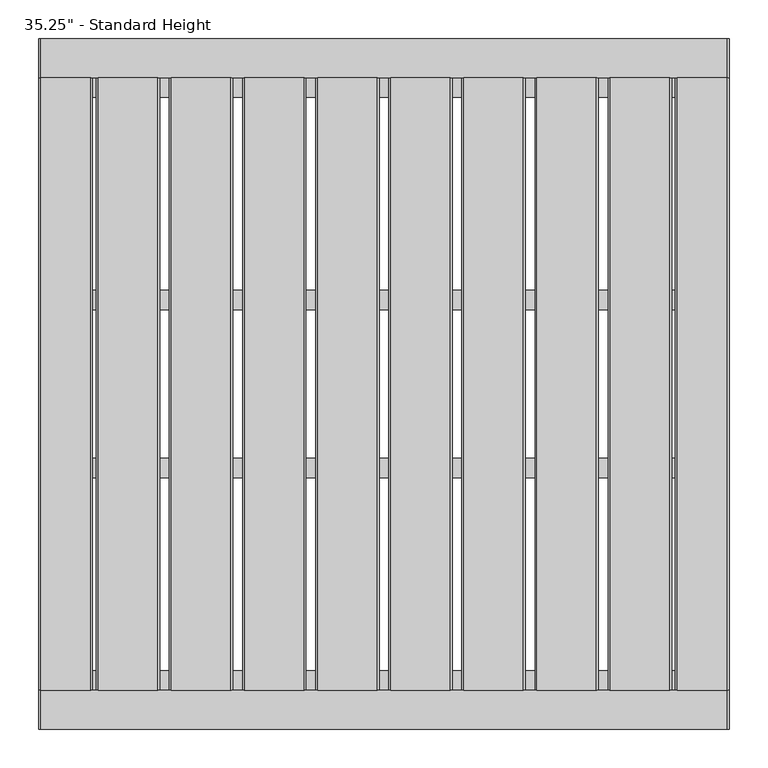
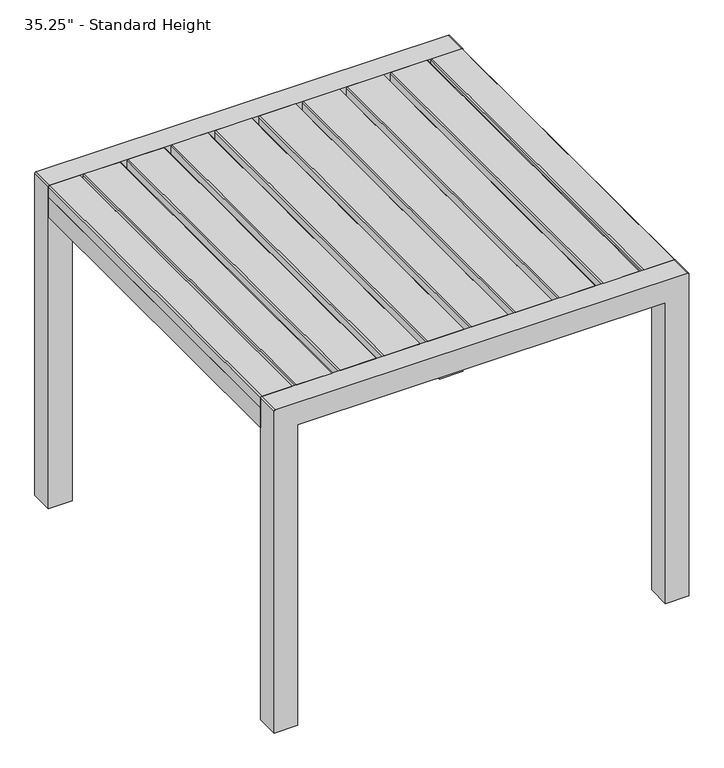
"""IFC4 building model written with IfcOpenShell, lengths in millimetres: furniture geometry."""

import ifcopenshell
import ifcopenshell.guid

model = None  # the IFC model being written
_history = None  # IfcOwnerHistory: only IFC2X3 demands one
_inside = {}  # id of a spatial element -> (the spatial element, [elements in it])
_under = {}  # id of a project, library or spatial element -> (it, [spatial elements below it])
_declared = {}  # id of a project -> (the project, [libraries it declares])
_typed = {}  # id of a type object -> (the type object, [elements of that type])
_made_of = {}  # id of a material, layer set ... -> (it, [elements and type objects made of it])


def new_model(schema):
    """Start an empty IFC model of exactly this schema.

    Asked for "IFC4X3", IfcOpenShell would pick the latest addendum, in which some entities
    have other attributes; the version numbers below select the first issue.
    IFC2X3 requires an IfcOwnerHistory on every rooted entity: one is made here for all.
    """
    global model, _history
    if schema == "IFC4X3":
        model = ifcopenshell.file(schema_version=(4, 3, 0, 0))
    else:
        model = ifcopenshell.file(schema=schema)
    _inside.clear()
    _under.clear()
    _declared.clear()
    _typed.clear()
    _made_of.clear()
    _history = None
    if model.schema == "IFC2X3":
        org = make("IfcOrganization", Name="unknown")
        user = make(
            "IfcPersonAndOrganization",
            ThePerson=make("IfcPerson", FamilyName="unknown"),
            TheOrganization=org,
        )
        app = make(
            "IfcApplication",
            ApplicationDeveloper=org,
            Version="unknown",
            ApplicationFullName="unknown",
            ApplicationIdentifier="unknown",
        )
        _history = make(
            "IfcOwnerHistory",
            OwningUser=user,
            OwningApplication=app,
            ChangeAction="ADDED",
            CreationDate=0,
        )
    return model


def make(cls, **values):
    """One entity of the class cls with the attributes given. An attribute that is None is left unset."""
    return model.create_entity(
        cls, **{name: value for name, value in values.items() if value is not None}
    )


def rooted(cls, **values):
    """An entity with a GlobalId (a new one), such as an element, a storey or a relation."""
    return make(cls, GlobalId=ifcopenshell.guid.new(), OwnerHistory=_history, **values)


def si_unit(unit_type, name, prefix=None):
    """IfcSIUnit, for example si_unit("LENGTHUNIT", "METRE", prefix="MILLI")."""
    return make("IfcSIUnit", UnitType=unit_type, Prefix=prefix, Name=name)


def assignment(units):
    """IfcUnitAssignment: the units of a project."""
    return None if units is None else make("IfcUnitAssignment", Units=units)


def point(xyz):
    """IfcCartesianPoint."""
    return None if xyz is None else make("IfcCartesianPoint", Coordinates=xyz)


def direction(xyz):
    """IfcDirection."""
    return None if xyz is None else make("IfcDirection", DirectionRatios=xyz)


def frame(location, z_axis=None, x_axis=None):
    """IfcAxis2Placement3D, a coordinate frame: its origin and axes. An axis left out is left unset."""
    return make(
        "IfcAxis2Placement3D",
        Location=point(location),
        Axis=direction(z_axis),
        RefDirection=direction(x_axis),
    )


def frame_2d(location, x_axis=None):
    """IfcAxis2Placement2D, a coordinate frame in the plane: its origin and x axis."""
    return make(
        "IfcAxis2Placement2D", Location=point(location), RefDirection=direction(x_axis)
    )


def origin():
    """The frame at (0, 0, 0) with its axes left unset."""
    return frame((0.0, 0.0, 0.0))


def place(relative_to, where):
    """IfcLocalPlacement: puts the frame where relative to a parent placement (None: the world)."""
    return make(
        "IfcLocalPlacement", PlacementRelTo=relative_to, RelativePlacement=where
    )


def context(
    kind, dimensions, precision=None, world=None, true_north=None, identifier=None
):
    """IfcGeometricRepresentationContext, for example the 3D "Model" context."""
    return make(
        "IfcGeometricRepresentationContext",
        ContextIdentifier=identifier,
        ContextType=kind,
        CoordinateSpaceDimension=dimensions,
        Precision=precision,
        WorldCoordinateSystem=world,
        TrueNorth=true_north,
    )


def project(units=None, contexts=None):
    """IfcProject with its units and contexts."""
    return rooted(
        "IfcProject",
        Name="project",
        RepresentationContexts=contexts,
        UnitsInContext=assignment(units),
    )


def spatial(cls, under=None, at=None, **own):
    """A site, building, storey or space (cls), placed at a placement, below another one or the project."""
    s = rooted(cls, ObjectPlacement=at, **own)
    if under is not None:
        _under.setdefault(under.id(), (under, []))[1].append(s)
    return s


def polyline(points):
    """IfcPolyline through the points."""
    return make("IfcPolyline", Points=[point(p) for p in points])


def circle_curve(where, radius):
    """IfcCircle in the frame where."""
    return make("IfcCircle", Position=where, Radius=radius)


def trimmed(basis, trim1, trim2, sense, master):
    """IfcTrimmedCurve: the piece of a basis curve between two trims."""
    return make(
        "IfcTrimmedCurve",
        BasisCurve=basis,
        Trim1=trim1,
        Trim2=trim2,
        SenseAgreement=sense,
        MasterRepresentation=master,
    )


def segment(curve, same_sense, transition):
    """IfcCompositeCurveSegment."""
    return make(
        "IfcCompositeCurveSegment",
        Transition=transition,
        SameSense=same_sense,
        ParentCurve=curve,
    )


def composite_curve(segments, self_intersect=None):
    """IfcCompositeCurve: segments joined end to end."""
    return make("IfcCompositeCurve", Segments=segments, SelfIntersect=self_intersect)


def outline(outer, holes=None, kind="AREA"):
    """IfcArbitraryClosedProfileDef: a profile drawn as a closed curve; with holes, ...WithVoids."""
    if holes is None:
        return make("IfcArbitraryClosedProfileDef", ProfileType=kind, OuterCurve=outer)
    return make(
        "IfcArbitraryProfileDefWithVoids",
        ProfileType=kind,
        OuterCurve=outer,
        InnerCurves=holes,
    )


def extrude(swept, where, along, depth):
    """IfcExtrudedAreaSolid: the profile swept, set in the frame where, extruded along a direction by depth."""
    return make(
        "IfcExtrudedAreaSolid",
        SweptArea=swept,
        Position=where,
        ExtrudedDirection=direction(along),
        Depth=depth,
    )


def shape(context_of_items, identifier, shape_type, items):
    """IfcShapeRepresentation: the items that make up one representation, for example the "Body"."""
    return make(
        "IfcShapeRepresentation",
        ContextOfItems=context_of_items,
        RepresentationIdentifier=identifier,
        RepresentationType=shape_type,
        Items=items,
    )


def source(mapping_origin, context_of_items, identifier, shape_type, items):
    """IfcRepresentationMap: a shape defined once, which mapped items show again and again."""
    return make(
        "IfcRepresentationMap",
        MappingOrigin=mapping_origin,
        MappedRepresentation=shape(context_of_items, identifier, shape_type, items),
    )


def transform(
    local_origin,
    x_axis=None,
    y_axis=None,
    z_axis=None,
    scale=None,
    scale2=None,
    scale3=None,
    uniform=True,
):
    """IfcCartesianTransformationOperator3D, or its non-uniform kind. x_axis, y_axis, z_axis: its Axis1, 2, 3."""
    if uniform:
        return make(
            "IfcCartesianTransformationOperator3D",
            Axis1=direction(x_axis),
            Axis2=direction(y_axis),
            LocalOrigin=point(local_origin),
            Scale=scale,
            Axis3=direction(z_axis),
        )
    return make(
        "IfcCartesianTransformationOperator3DnonUniform",
        Axis1=direction(x_axis),
        Axis2=direction(y_axis),
        LocalOrigin=point(local_origin),
        Scale=scale,
        Axis3=direction(z_axis),
        Scale2=scale2,
        Scale3=scale3,
    )


def mapped(mapping_source, mapping_target):
    """IfcMappedItem: shows the shape of a source again, moved by a transform."""
    return make(
        "IfcMappedItem", MappingSource=mapping_source, MappingTarget=mapping_target
    )


def made_of(thing, what):
    """Note that an element or type object is made of a material, layer set ...; save() writes the relation."""
    if what is not None:
        _made_of.setdefault(what.id(), (what, []))[1].append(thing)
    return thing


def element(
    cls,
    number,
    at=None,
    inside=None,
    cuts=None,
    type_object=None,
    material=None,
    context=None,
    identifier="Body",
    shape_type=None,
    held_by="IfcProductDefinitionShape",
    body=None,
    shapes=None,
    **own,
):
    """One element of the class cls, such as IfcWall. Its Tag is "e" and its number.

    at: its placement. inside: the storey or other place that contains it. cuts: it is an
    opening in that element (IfcRelVoidsElement). A single representation is given by context,
    identifier, shape_type and body (its items); several are given by shapes. held_by: the class
    of the entity that holds the representations. save() writes the other relations.
    """
    e = rooted(cls, Tag="e%d" % number, ObjectPlacement=at, **own)
    if body is not None:
        shapes = [shape(context, identifier, shape_type, body)]
    if shapes is not None:
        e.Representation = make(held_by, Representations=shapes)
    if inside is not None:
        _inside.setdefault(inside.id(), (inside, []))[1].append(e)
    if cuts is not None:
        rooted(
            "IfcRelVoidsElement", RelatingBuildingElement=cuts, RelatedOpeningElement=e
        )
    if type_object is not None:
        _typed.setdefault(type_object.id(), (type_object, []))[1].append(e)
    return made_of(e, material)


def aggregate(whole, parts):
    """IfcRelAggregates: a whole, such as a stair, and the parts it consists of."""
    return rooted("IfcRelAggregates", RelatingObject=whole, RelatedObjects=parts)


def save(model, path):
    """Write the relations noted so far, then the file.

    IfcRelAggregates (storeys below a building ...), IfcRelContainedInSpatialStructure (elements
    in a storey), IfcRelDefinesByType, IfcRelAssociatesMaterial and IfcRelDeclares: one each for
    every whole, place, type object, material and project.
    """
    for whole, parts in _under.values():
        aggregate(whole, parts)
    for where, things in _inside.values():
        rooted(
            "IfcRelContainedInSpatialStructure",
            RelatedElements=things,
            RelatingStructure=where,
        )
    for kind, things in _typed.values():
        rooted("IfcRelDefinesByType", RelatedObjects=things, RelatingType=kind)
    for what, things in _made_of.values():
        rooted("IfcRelAssociatesMaterial", RelatedObjects=things, RelatingMaterial=what)
    for by, libraries in _declared.values():
        rooted("IfcRelDeclares", RelatingContext=by, RelatedDefinitions=libraries)
    model.write(path)


def furniture_24cc72c9(model_context):
    return source(origin(), model_context, "Body", "SweptSolid", [
        extrude(outline(polyline([(711.2, 277.9967634), (734.0767182, 277.9967634), (736.6, 275.4735132), (736.6, 198.3668886), (734.0767182, 195.8436384), (711.2, 195.8436384), (711.2, 277.9967634)])), frame((0.0, -400.9049408, 0.0), z_axis=(0.0, 1.0, 0.0), x_axis=(0.0, 0.0, 1.0)), (0.0, 0.0, 1.0), 793.75),
        extrude(outline(polyline([(711.2, 183.228683), (734.0767182, 183.228683), (736.6, 180.7054329), (736.6, 103.5988082), (734.0767182, 101.075558), (711.2, 101.075558), (711.2, 183.228683)])), frame((0.0, -400.9049408, 0.0), z_axis=(0.0, 1.0, 0.0), x_axis=(0.0, 0.0, 1.0)), (0.0, 0.0, 1.0), 793.75),
        extrude(outline(polyline([(711.2, 88.4606027), (734.0767182, 88.4606027), (736.6, 85.9373525), (736.6, 8.8307278), (734.0767182, 6.3074777), (711.2, 6.3074777), (711.2, 88.4606027)])), frame((0.0, -400.9049408, 0.0), z_axis=(0.0, 1.0, 0.0), x_axis=(0.0, 0.0, 1.0)), (0.0, 0.0, 1.0), 793.75),
        extrude(outline(polyline([(711.2, -6.3074777), (734.0767182, -6.3074777), (736.6, -8.8307278), (736.6, -85.9373525), (734.0767182, -88.4606027), (711.2, -88.4606027), (711.2, -6.3074777)])), frame((0.0, -400.9049408, 0.0), z_axis=(0.0, 1.0, 0.0), x_axis=(0.0, 0.0, 1.0)), (0.0, 0.0, 1.0), 793.75),
        extrude(outline(polyline([(711.2, -101.075558), (734.0767182, -101.075558), (736.6, -103.5988082), (736.6, -180.7054329), (734.0767182, -183.228683), (711.2, -183.228683), (711.2, -101.075558)])), frame((0.0, -400.9049408, 0.0), z_axis=(0.0, 1.0, 0.0), x_axis=(0.0, 0.0, 1.0)), (0.0, 0.0, 1.0), 793.75),
        extrude(outline(polyline([(711.2, -195.8436384), (734.0767182, -195.8436384), (736.6, -198.3668886), (736.6, -275.4735132), (734.0767182, -277.9967634), (711.2, -277.9967634), (711.2, -195.8436384)])), frame((0.0, -400.9049408, 0.0), z_axis=(0.0, 1.0, 0.0), x_axis=(0.0, 0.0, 1.0)), (0.0, 0.0, 1.0), 793.75),
        extrude(outline(polyline([(711.2, 372.7648438), (734.0767182, 372.7648438), (736.6, 370.2415936), (736.6, 293.1349689), (734.0767182, 290.6117188), (711.2, 290.6117188), (711.2, 372.7648438)])), frame((0.0, -400.9049408, 0.0), z_axis=(0.0, 1.0, 0.0), x_axis=(0.0, 0.0, 1.0)), (0.0, 0.0, 1.0), 793.75),
        extrude(outline(polyline([(711.2, -290.6117188), (734.0767182, -290.6117188), (736.6, -293.1349689), (736.6, -370.2415936), (734.0767182, -372.7648437), (711.2, -372.7648437), (711.2, -290.6117188)])), frame((0.0, -400.9049408, 0.0), z_axis=(0.0, 1.0, 0.0), x_axis=(0.0, 0.0, 1.0)), (0.0, 0.0, 1.0), 793.75),
        extrude(outline(polyline([(711.2, -447.675), (711.2, -377.8249879), (734.0596996, -377.8249879), (736.6, -380.3652519), (736.6, -445.1347481), (734.0597117, -447.675), (711.2, -447.675)])), frame((0.0, -400.9049408, 0.0), z_axis=(0.0, 1.0, 0.0), x_axis=(0.0, 0.0, 1.0)), (0.0, 0.0, 1.0), 793.75),
        extrude(outline(polyline([(711.2, 447.675), (734.0597117, 447.675), (736.6, 445.1347481), (736.6, 380.3652519), (734.0596996, 377.8249879), (711.2, 377.8249879), (711.2, 447.675)])), frame((0.0, -400.9049408, 0.0), z_axis=(0.0, 1.0, 0.0), x_axis=(0.0, 0.0, 1.0)), (0.0, 0.0, 1.0), 793.75),
        extrude(outline(polyline([(396.8749879, -100.3382701), (396.8749879, -125.7382731), (-396.8749879, -125.7382731), (-396.8749879, -100.3382701), (396.8749879, -100.3382701)])), frame((0.0, 0.0, 685.8), z_axis=(0.0, 0.0, 1.0), x_axis=(1.0, 0.0, 0.0)), (0.0, 0.0, 1.0), 25.4),
        extrude(outline(polyline([(396.8749879, -375.5049347), (396.8749879, -400.9049408), (-396.8749879, -400.9049408), (-396.8749879, -375.5049347), (396.8749879, -375.5049347)])), frame((0.0, 0.0, 685.8), z_axis=(0.0, 0.0, 1.0), x_axis=(1.0, 0.0, 0.0)), (0.0, 0.0, 1.0), 25.4),
        extrude(outline(polyline([(396.8749879, 392.8450592), (396.8749879, 367.4450532), (-396.8749879, 367.4450532), (-396.8749879, 392.8450592), (396.8749879, 392.8450592)])), frame((0.0, 0.0, 685.8), z_axis=(0.0, 0.0, 1.0), x_axis=(1.0, 0.0, 0.0)), (0.0, 0.0, 1.0), 25.4),
        extrude(outline(polyline([(396.8749879, 117.6783915), (396.8749879, 92.2783885), (-396.8749879, 92.2783885), (-396.8749879, 117.6783915), (396.8749879, 117.6783915)])), frame((0.0, 0.0, 685.8), z_axis=(0.0, 0.0, 1.0), x_axis=(1.0, 0.0, 0.0)), (0.0, 0.0, 1.0), 25.4),
        extrude(outline(polyline([(-396.8749879, -400.9049408), (-447.675, -400.9049408), (-447.675, 392.8450592), (-396.8749879, 392.8450592), (-396.8749879, -400.9049408)])), frame((0.0, 0.0, 665.734001), z_axis=(0.0, 0.0, 1.0), x_axis=(1.0, 0.0, 0.0)), (0.0, 0.0, 1.0), 45.465999),
        extrude(outline(polyline([(447.675, -400.9049408), (396.8749879, -400.9049408), (396.8749879, 392.8450592), (447.675, 392.8450592), (447.675, -400.9049408)])), frame((0.0, 0.0, 665.734001), z_axis=(0.0, 0.0, 1.0), x_axis=(1.0, 0.0, 0.0)), (0.0, 0.0, 1.0), 45.465999),
        extrude(outline(composite_curve([segment(polyline([(0.0, -396.8749879), (685.8, -396.8749879), (685.8, 396.8749879), (0.0, 396.8749879), (0.0, 447.675), (734.0203125, 447.675)]), True, "CONTINUOUS"), segment(trimmed(circle_curve(frame_2d((734.0203125, 445.0953125)), 2.5796875), [point((734.0203125, 447.675))], [point((736.6, 445.0953125))], False, "CARTESIAN"), True, "CONTINUOUS"), segment(polyline([(736.6, 445.0953125), (736.6, -445.0953125)]), True, "CONTINUOUS"), segment(trimmed(circle_curve(frame_2d((734.0203125, -445.0953125)), 2.5796875), [point((736.6, -445.0953125))], [point((734.0203125, -447.675))], False, "CARTESIAN"), True, "CONTINUOUS"), segment(polyline([(734.0203125, -447.675), (0.0, -447.675), (0.0, -396.8749879)]), True, "CONTINUOUS")], self_intersect=False)), frame((0.0, 392.8450592, 0.0), z_axis=(0.0, 1.0, 0.0), x_axis=(0.0, 0.0, 1.0)), (0.0, 0.0, 1.0), 50.8),
        extrude(outline(composite_curve([segment(polyline([(0.0, -396.8749879), (685.8, -396.8749879), (685.8, 396.8749879), (0.0, 396.8749879), (0.0, 447.675), (734.0203125, 447.675)]), True, "CONTINUOUS"), segment(trimmed(circle_curve(frame_2d((734.0203125, 445.0953125)), 2.5796875), [point((734.0203125, 447.675))], [point((736.6, 445.0953125))], False, "CARTESIAN"), True, "CONTINUOUS"), segment(polyline([(736.6, 445.0953125), (736.6, -445.0953125)]), True, "CONTINUOUS"), segment(trimmed(circle_curve(frame_2d((734.0203125, -445.0953125)), 2.5796875), [point((736.6, -445.0953125))], [point((734.0203125, -447.675))], False, "CARTESIAN"), True, "CONTINUOUS"), segment(polyline([(734.0203125, -447.675), (0.0, -447.675), (0.0, -396.8749879)]), True, "CONTINUOUS")], self_intersect=False)), frame((0.0, -451.7049408, 0.0), z_axis=(0.0, 1.0, 0.0), x_axis=(0.0, 0.0, 1.0)), (0.0, 0.0, 1.0), 50.8),
    ])


if __name__ == "__main__":
    model = new_model("IFC4")
    model_context = context("Model", 3, world=origin())
    ifc_project = project(units=[si_unit("LENGTHUNIT", "METRE", prefix="MILLI")], contexts=[model_context])
    site = spatial("IfcSite", under=ifc_project)
    building = spatial("IfcBuilding", under=site)
    placement = place(None, origin())
    furniture_shape = furniture_24cc72c9(model_context)
    element("IfcFurniture", 1, ObjectType="35.25\" - Standard Height", at=placement, inside=building, context=model_context, shape_type="MappedRepresentation", body=[
        mapped(furniture_shape, transform((0.0, 0.0, 0.0), x_axis=(1.0, 0.0, 0.0), y_axis=(0.0, 1.0, 0.0), z_axis=(0.0, 0.0, 1.0))),
    ])
    save(model, "model.ifc")
